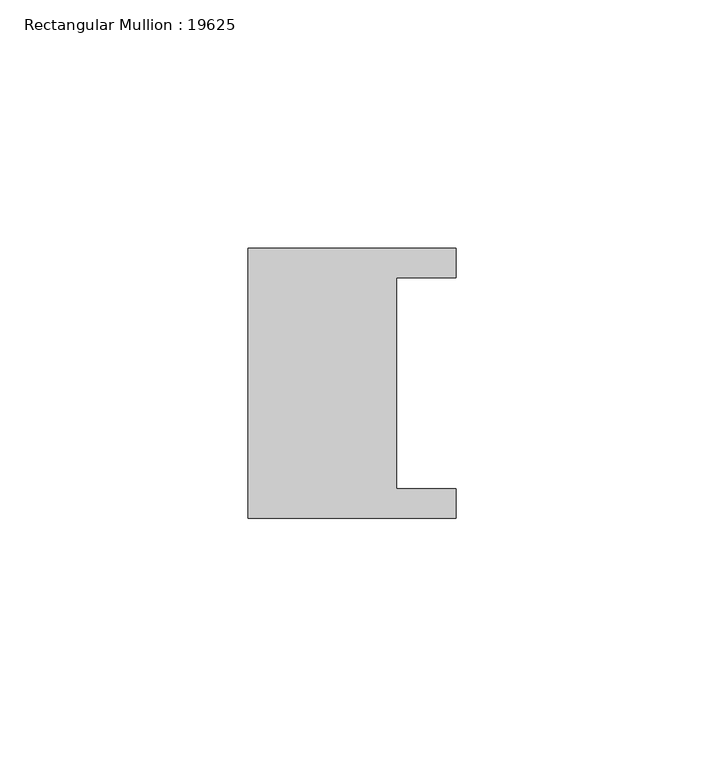
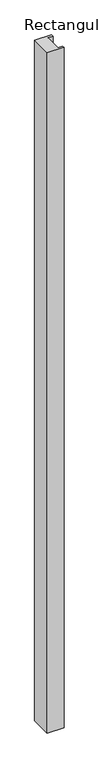
"""IFC4 building model written with IfcOpenShell, lengths in millimetres: member geometry, Rectangular Mullion : 19625."""

from ifc_helpers import new_model, si_unit, frame, origin, place, context, project, spatial, polyline, outline, extrude, source, transform, mapped, element, save


def rectangular_mullion_19625_e1939e35(model_context):
    return source(origin(), model_context, "Body", "SweptSolid", [
        extrude(outline(polyline([(-42.0, 27.25), (0.0, 27.25), (0.0, 21.25), (-12.0, 21.25), (-12.0, -21.25), (0.0, -21.25), (0.0, -27.25), (-42.0, -27.25), (-42.0, 27.25)])), frame((0.0, 0.0, -1800.0), z_axis=(0.0, 0.0, 1.0), x_axis=(1.0, 0.0, 0.0)), (0.0, 0.0, 1.0), 1800.0),
    ])


if __name__ == "__main__":
    model = new_model("IFC4")
    model_context = context("Model", 3, world=origin())
    ifc_project = project(units=[si_unit("LENGTHUNIT", "METRE", prefix="MILLI")], contexts=[model_context])
    site = spatial("IfcSite", under=ifc_project)
    building = spatial("IfcBuilding", under=site)
    placement = place(None, origin())
    rectangular_mullion_19625_shape = rectangular_mullion_19625_e1939e35(model_context)
    element("IfcMember", 1, ObjectType="Rectangular Mullion : 19625", at=placement, inside=building, context=model_context, shape_type="MappedRepresentation", body=[
        mapped(rectangular_mullion_19625_shape, transform((0.0, 0.0, 0.0), x_axis=(1.0, 0.0, 0.0), y_axis=(0.0, 1.0, 0.0), z_axis=(0.0, 0.0, 1.0))),
    ])
    save(model, "model.ifc")
